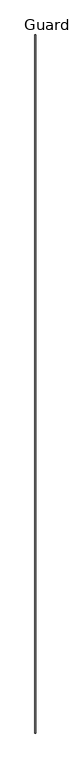
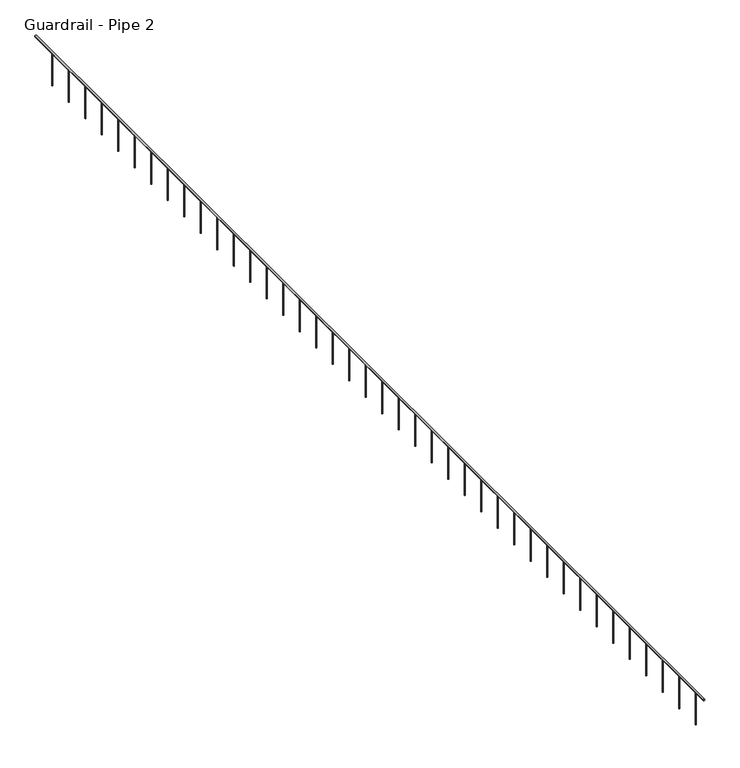
"""IFC4 building model written with IfcOpenShell, lengths in millimetres: railing geometry, Guardrail - Pipe 2."""

import ifcopenshell
import ifcopenshell.guid

model = None  # the IFC model being written
_history = None  # IfcOwnerHistory: only IFC2X3 demands one
_inside = {}  # id of a spatial element -> (the spatial element, [elements in it])
_under = {}  # id of a project, library or spatial element -> (it, [spatial elements below it])
_declared = {}  # id of a project -> (the project, [libraries it declares])
_typed = {}  # id of a type object -> (the type object, [elements of that type])
_made_of = {}  # id of a material, layer set ... -> (it, [elements and type objects made of it])


def new_model(schema):
    """Start an empty IFC model of exactly this schema.

    Asked for "IFC4X3", IfcOpenShell would pick the latest addendum, in which some entities
    have other attributes; the version numbers below select the first issue.
    IFC2X3 requires an IfcOwnerHistory on every rooted entity: one is made here for all.
    """
    global model, _history
    if schema == "IFC4X3":
        model = ifcopenshell.file(schema_version=(4, 3, 0, 0))
    else:
        model = ifcopenshell.file(schema=schema)
    _inside.clear()
    _under.clear()
    _declared.clear()
    _typed.clear()
    _made_of.clear()
    _history = None
    if model.schema == "IFC2X3":
        org = make("IfcOrganization", Name="unknown")
        user = make(
            "IfcPersonAndOrganization",
            ThePerson=make("IfcPerson", FamilyName="unknown"),
            TheOrganization=org,
        )
        app = make(
            "IfcApplication",
            ApplicationDeveloper=org,
            Version="unknown",
            ApplicationFullName="unknown",
            ApplicationIdentifier="unknown",
        )
        _history = make(
            "IfcOwnerHistory",
            OwningUser=user,
            OwningApplication=app,
            ChangeAction="ADDED",
            CreationDate=0,
        )
    return model


def make(cls, **values):
    """One entity of the class cls with the attributes given. An attribute that is None is left unset."""
    return model.create_entity(
        cls, **{name: value for name, value in values.items() if value is not None}
    )


def rooted(cls, **values):
    """An entity with a GlobalId (a new one), such as an element, a storey or a relation."""
    return make(cls, GlobalId=ifcopenshell.guid.new(), OwnerHistory=_history, **values)


def si_unit(unit_type, name, prefix=None):
    """IfcSIUnit, for example si_unit("LENGTHUNIT", "METRE", prefix="MILLI")."""
    return make("IfcSIUnit", UnitType=unit_type, Prefix=prefix, Name=name)


def assignment(units):
    """IfcUnitAssignment: the units of a project."""
    return None if units is None else make("IfcUnitAssignment", Units=units)


def point(xyz):
    """IfcCartesianPoint."""
    return None if xyz is None else make("IfcCartesianPoint", Coordinates=xyz)


def direction(xyz):
    """IfcDirection."""
    return None if xyz is None else make("IfcDirection", DirectionRatios=xyz)


def frame(location, z_axis=None, x_axis=None):
    """IfcAxis2Placement3D, a coordinate frame: its origin and axes. An axis left out is left unset."""
    return make(
        "IfcAxis2Placement3D",
        Location=point(location),
        Axis=direction(z_axis),
        RefDirection=direction(x_axis),
    )


def frame_2d(location, x_axis=None):
    """IfcAxis2Placement2D, a coordinate frame in the plane: its origin and x axis."""
    return make(
        "IfcAxis2Placement2D", Location=point(location), RefDirection=direction(x_axis)
    )


def origin():
    """The frame at (0, 0, 0) with its axes left unset."""
    return frame((0.0, 0.0, 0.0))


def place(relative_to, where):
    """IfcLocalPlacement: puts the frame where relative to a parent placement (None: the world)."""
    return make(
        "IfcLocalPlacement", PlacementRelTo=relative_to, RelativePlacement=where
    )


def context(
    kind, dimensions, precision=None, world=None, true_north=None, identifier=None
):
    """IfcGeometricRepresentationContext, for example the 3D "Model" context."""
    return make(
        "IfcGeometricRepresentationContext",
        ContextIdentifier=identifier,
        ContextType=kind,
        CoordinateSpaceDimension=dimensions,
        Precision=precision,
        WorldCoordinateSystem=world,
        TrueNorth=true_north,
    )


def project(units=None, contexts=None):
    """IfcProject with its units and contexts."""
    return rooted(
        "IfcProject",
        Name="project",
        RepresentationContexts=contexts,
        UnitsInContext=assignment(units),
    )


def spatial(cls, under=None, at=None, **own):
    """A site, building, storey or space (cls), placed at a placement, below another one or the project."""
    s = rooted(cls, ObjectPlacement=at, **own)
    if under is not None:
        _under.setdefault(under.id(), (under, []))[1].append(s)
    return s


def circle_curve(where, radius):
    """IfcCircle in the frame where."""
    return make("IfcCircle", Position=where, Radius=radius)


def trimmed(basis, trim1, trim2, sense, master):
    """IfcTrimmedCurve: the piece of a basis curve between two trims."""
    return make(
        "IfcTrimmedCurve",
        BasisCurve=basis,
        Trim1=trim1,
        Trim2=trim2,
        SenseAgreement=sense,
        MasterRepresentation=master,
    )


def segment(curve, same_sense, transition):
    """IfcCompositeCurveSegment."""
    return make(
        "IfcCompositeCurveSegment",
        Transition=transition,
        SameSense=same_sense,
        ParentCurve=curve,
    )


def composite_curve(segments, self_intersect=None):
    """IfcCompositeCurve: segments joined end to end."""
    return make("IfcCompositeCurve", Segments=segments, SelfIntersect=self_intersect)


def outline(outer, holes=None, kind="AREA"):
    """IfcArbitraryClosedProfileDef: a profile drawn as a closed curve; with holes, ...WithVoids."""
    if holes is None:
        return make("IfcArbitraryClosedProfileDef", ProfileType=kind, OuterCurve=outer)
    return make(
        "IfcArbitraryProfileDefWithVoids",
        ProfileType=kind,
        OuterCurve=outer,
        InnerCurves=holes,
    )


def extrude(swept, where, along, depth):
    """IfcExtrudedAreaSolid: the profile swept, set in the frame where, extruded along a direction by depth."""
    return make(
        "IfcExtrudedAreaSolid",
        SweptArea=swept,
        Position=where,
        ExtrudedDirection=direction(along),
        Depth=depth,
    )


def shape(context_of_items, identifier, shape_type, items):
    """IfcShapeRepresentation: the items that make up one representation, for example the "Body"."""
    return make(
        "IfcShapeRepresentation",
        ContextOfItems=context_of_items,
        RepresentationIdentifier=identifier,
        RepresentationType=shape_type,
        Items=items,
    )


def source(mapping_origin, context_of_items, identifier, shape_type, items):
    """IfcRepresentationMap: a shape defined once, which mapped items show again and again."""
    return make(
        "IfcRepresentationMap",
        MappingOrigin=mapping_origin,
        MappedRepresentation=shape(context_of_items, identifier, shape_type, items),
    )


def transform(
    local_origin,
    x_axis=None,
    y_axis=None,
    z_axis=None,
    scale=None,
    scale2=None,
    scale3=None,
    uniform=True,
):
    """IfcCartesianTransformationOperator3D, or its non-uniform kind. x_axis, y_axis, z_axis: its Axis1, 2, 3."""
    if uniform:
        return make(
            "IfcCartesianTransformationOperator3D",
            Axis1=direction(x_axis),
            Axis2=direction(y_axis),
            LocalOrigin=point(local_origin),
            Scale=scale,
            Axis3=direction(z_axis),
        )
    return make(
        "IfcCartesianTransformationOperator3DnonUniform",
        Axis1=direction(x_axis),
        Axis2=direction(y_axis),
        LocalOrigin=point(local_origin),
        Scale=scale,
        Axis3=direction(z_axis),
        Scale2=scale2,
        Scale3=scale3,
    )


def mapped(mapping_source, mapping_target):
    """IfcMappedItem: shows the shape of a source again, moved by a transform."""
    return make(
        "IfcMappedItem", MappingSource=mapping_source, MappingTarget=mapping_target
    )


def made_of(thing, what):
    """Note that an element or type object is made of a material, layer set ...; save() writes the relation."""
    if what is not None:
        _made_of.setdefault(what.id(), (what, []))[1].append(thing)
    return thing


def element(
    cls,
    number,
    at=None,
    inside=None,
    cuts=None,
    type_object=None,
    material=None,
    context=None,
    identifier="Body",
    shape_type=None,
    held_by="IfcProductDefinitionShape",
    body=None,
    shapes=None,
    **own,
):
    """One element of the class cls, such as IfcWall. Its Tag is "e" and its number.

    at: its placement. inside: the storey or other place that contains it. cuts: it is an
    opening in that element (IfcRelVoidsElement). A single representation is given by context,
    identifier, shape_type and body (its items); several are given by shapes. held_by: the class
    of the entity that holds the representations. save() writes the other relations.
    """
    e = rooted(cls, Tag="e%d" % number, ObjectPlacement=at, **own)
    if body is not None:
        shapes = [shape(context, identifier, shape_type, body)]
    if shapes is not None:
        e.Representation = make(held_by, Representations=shapes)
    if inside is not None:
        _inside.setdefault(inside.id(), (inside, []))[1].append(e)
    if cuts is not None:
        rooted(
            "IfcRelVoidsElement", RelatingBuildingElement=cuts, RelatedOpeningElement=e
        )
    if type_object is not None:
        _typed.setdefault(type_object.id(), (type_object, []))[1].append(e)
    return made_of(e, material)


def aggregate(whole, parts):
    """IfcRelAggregates: a whole, such as a stair, and the parts it consists of."""
    return rooted("IfcRelAggregates", RelatingObject=whole, RelatedObjects=parts)


def save(model, path):
    """Write the relations noted so far, then the file.

    IfcRelAggregates (storeys below a building ...), IfcRelContainedInSpatialStructure (elements
    in a storey), IfcRelDefinesByType, IfcRelAssociatesMaterial and IfcRelDeclares: one each for
    every whole, place, type object, material and project.
    """
    for whole, parts in _under.values():
        aggregate(whole, parts)
    for where, things in _inside.values():
        rooted(
            "IfcRelContainedInSpatialStructure",
            RelatedElements=things,
            RelatingStructure=where,
        )
    for kind, things in _typed.values():
        rooted("IfcRelDefinesByType", RelatedObjects=things, RelatingType=kind)
    for what, things in _made_of.values():
        rooted("IfcRelAssociatesMaterial", RelatedObjects=things, RelatingMaterial=what)
    for by, libraries in _declared.values():
        rooted("IfcRelDeclares", RelatingContext=by, RelatedDefinitions=libraries)
    model.write(path)


def guardrail_pipe_2_330cb6f6(model_context):
    return source(origin(), model_context, "Body", "SweptSolid", [
        extrude(outline(composite_curve([segment(trimmed(circle_curve(frame_2d((5518.15, 258236.8254676)), 19.05), [point((5518.15, 258255.8754676))], [point((5518.15, 258217.7754676))], False, "CARTESIAN"), True, "CONTINUOUS"), segment(trimmed(circle_curve(frame_2d((5518.15, 258236.8254676)), 19.05), [point((5518.15, 258217.7754676))], [point((5518.15, 258255.8754676))], False, "CARTESIAN"), True, "CONTINUOUS")], self_intersect=False)), frame((0.0, -389814.6080223, 0.0), z_axis=(0.0, 1.0, 0.0), x_axis=(0.0, 0.0, 1.0)), (0.0, 0.0, 1.0), 24688.8),
        extrude(outline(composite_curve([segment(trimmed(circle_curve(frame_2d((258236.8254676, -389509.8080223)), 12.7), [point((258249.5254676, -389509.8080223))], [point((258224.1254676, -389509.8080223))], False, "CARTESIAN"), True, "CONTINUOUS"), segment(trimmed(circle_curve(frame_2d((258236.8254676, -389509.8080223)), 12.7), [point((258224.1254676, -389509.8080223))], [point((258249.5254676, -389509.8080223))], False, "CARTESIAN"), True, "CONTINUOUS")], self_intersect=False)), frame((0.0, 0.0, 4775.2), z_axis=(0.0, 0.0, 1.0), x_axis=(1.0, 0.0, 0.0)), (0.0, 0.0, 1.0), 723.9),
        extrude(outline(composite_curve([segment(trimmed(circle_curve(frame_2d((258236.8254676, -388900.2080223)), 12.7), [point((258249.5254676, -388900.2080223))], [point((258224.1254676, -388900.2080223))], False, "CARTESIAN"), True, "CONTINUOUS"), segment(trimmed(circle_curve(frame_2d((258236.8254676, -388900.2080223)), 12.7), [point((258224.1254676, -388900.2080223))], [point((258249.5254676, -388900.2080223))], False, "CARTESIAN"), True, "CONTINUOUS")], self_intersect=False)), frame((0.0, 0.0, 4775.2), z_axis=(0.0, 0.0, 1.0), x_axis=(1.0, 0.0, 0.0)), (0.0, 0.0, 1.0), 723.9),
        extrude(outline(composite_curve([segment(trimmed(circle_curve(frame_2d((258236.8254676, -388290.6080223)), 12.7), [point((258249.5254676, -388290.6080223))], [point((258224.1254676, -388290.6080223))], False, "CARTESIAN"), True, "CONTINUOUS"), segment(trimmed(circle_curve(frame_2d((258236.8254676, -388290.6080223)), 12.7), [point((258224.1254676, -388290.6080223))], [point((258249.5254676, -388290.6080223))], False, "CARTESIAN"), True, "CONTINUOUS")], self_intersect=False)), frame((0.0, 0.0, 4775.2), z_axis=(0.0, 0.0, 1.0), x_axis=(1.0, 0.0, 0.0)), (0.0, 0.0, 1.0), 723.9),
        extrude(outline(composite_curve([segment(trimmed(circle_curve(frame_2d((258236.8254676, -387681.0080223)), 12.7), [point((258249.5254676, -387681.0080223))], [point((258224.1254676, -387681.0080223))], False, "CARTESIAN"), True, "CONTINUOUS"), segment(trimmed(circle_curve(frame_2d((258236.8254676, -387681.0080223)), 12.7), [point((258224.1254676, -387681.0080223))], [point((258249.5254676, -387681.0080223))], False, "CARTESIAN"), True, "CONTINUOUS")], self_intersect=False)), frame((0.0, 0.0, 4775.2), z_axis=(0.0, 0.0, 1.0), x_axis=(1.0, 0.0, 0.0)), (0.0, 0.0, 1.0), 723.9),
        extrude(outline(composite_curve([segment(trimmed(circle_curve(frame_2d((258236.8254676, -387071.4080223)), 12.7), [point((258249.5254676, -387071.4080223))], [point((258224.1254676, -387071.4080223))], False, "CARTESIAN"), True, "CONTINUOUS"), segment(trimmed(circle_curve(frame_2d((258236.8254676, -387071.4080223)), 12.7), [point((258224.1254676, -387071.4080223))], [point((258249.5254676, -387071.4080223))], False, "CARTESIAN"), True, "CONTINUOUS")], self_intersect=False)), frame((0.0, 0.0, 4775.2), z_axis=(0.0, 0.0, 1.0), x_axis=(1.0, 0.0, 0.0)), (0.0, 0.0, 1.0), 723.9),
        extrude(outline(composite_curve([segment(trimmed(circle_curve(frame_2d((258236.8254676, -386461.8080223)), 12.7), [point((258249.5254676, -386461.8080223))], [point((258224.1254676, -386461.8080223))], False, "CARTESIAN"), True, "CONTINUOUS"), segment(trimmed(circle_curve(frame_2d((258236.8254676, -386461.8080223)), 12.7), [point((258224.1254676, -386461.8080223))], [point((258249.5254676, -386461.8080223))], False, "CARTESIAN"), True, "CONTINUOUS")], self_intersect=False)), frame((0.0, 0.0, 4775.2), z_axis=(0.0, 0.0, 1.0), x_axis=(1.0, 0.0, 0.0)), (0.0, 0.0, 1.0), 723.9),
        extrude(outline(composite_curve([segment(trimmed(circle_curve(frame_2d((258236.8254676, -385852.2080223)), 12.7), [point((258249.5254676, -385852.2080223))], [point((258224.1254676, -385852.2080223))], False, "CARTESIAN"), True, "CONTINUOUS"), segment(trimmed(circle_curve(frame_2d((258236.8254676, -385852.2080223)), 12.7), [point((258224.1254676, -385852.2080223))], [point((258249.5254676, -385852.2080223))], False, "CARTESIAN"), True, "CONTINUOUS")], self_intersect=False)), frame((0.0, 0.0, 4775.2), z_axis=(0.0, 0.0, 1.0), x_axis=(1.0, 0.0, 0.0)), (0.0, 0.0, 1.0), 723.9),
        extrude(outline(composite_curve([segment(trimmed(circle_curve(frame_2d((258236.8254676, -385242.6080223)), 12.7), [point((258249.5254676, -385242.6080223))], [point((258224.1254676, -385242.6080223))], False, "CARTESIAN"), True, "CONTINUOUS"), segment(trimmed(circle_curve(frame_2d((258236.8254676, -385242.6080223)), 12.7), [point((258224.1254676, -385242.6080223))], [point((258249.5254676, -385242.6080223))], False, "CARTESIAN"), True, "CONTINUOUS")], self_intersect=False)), frame((0.0, 0.0, 4775.2), z_axis=(0.0, 0.0, 1.0), x_axis=(1.0, 0.0, 0.0)), (0.0, 0.0, 1.0), 723.9),
        extrude(outline(composite_curve([segment(trimmed(circle_curve(frame_2d((258236.8254676, -384633.0080223)), 12.7), [point((258249.5254676, -384633.0080223))], [point((258224.1254676, -384633.0080223))], False, "CARTESIAN"), True, "CONTINUOUS"), segment(trimmed(circle_curve(frame_2d((258236.8254676, -384633.0080223)), 12.7), [point((258224.1254676, -384633.0080223))], [point((258249.5254676, -384633.0080223))], False, "CARTESIAN"), True, "CONTINUOUS")], self_intersect=False)), frame((0.0, 0.0, 4775.2), z_axis=(0.0, 0.0, 1.0), x_axis=(1.0, 0.0, 0.0)), (0.0, 0.0, 1.0), 723.9),
        extrude(outline(composite_curve([segment(trimmed(circle_curve(frame_2d((258236.8254676, -384023.4080223)), 12.7), [point((258249.5254676, -384023.4080223))], [point((258224.1254676, -384023.4080223))], False, "CARTESIAN"), True, "CONTINUOUS"), segment(trimmed(circle_curve(frame_2d((258236.8254676, -384023.4080223)), 12.7), [point((258224.1254676, -384023.4080223))], [point((258249.5254676, -384023.4080223))], False, "CARTESIAN"), True, "CONTINUOUS")], self_intersect=False)), frame((0.0, 0.0, 4775.2), z_axis=(0.0, 0.0, 1.0), x_axis=(1.0, 0.0, 0.0)), (0.0, 0.0, 1.0), 723.9),
        extrude(outline(composite_curve([segment(trimmed(circle_curve(frame_2d((258236.8254676, -383413.8080223)), 12.7), [point((258249.5254676, -383413.8080223))], [point((258224.1254676, -383413.8080223))], False, "CARTESIAN"), True, "CONTINUOUS"), segment(trimmed(circle_curve(frame_2d((258236.8254676, -383413.8080223)), 12.7), [point((258224.1254676, -383413.8080223))], [point((258249.5254676, -383413.8080223))], False, "CARTESIAN"), True, "CONTINUOUS")], self_intersect=False)), frame((0.0, 0.0, 4775.2), z_axis=(0.0, 0.0, 1.0), x_axis=(1.0, 0.0, 0.0)), (0.0, 0.0, 1.0), 723.9),
        extrude(outline(composite_curve([segment(trimmed(circle_curve(frame_2d((258236.8254676, -382804.2080223)), 12.7), [point((258249.5254676, -382804.2080223))], [point((258224.1254676, -382804.2080223))], False, "CARTESIAN"), True, "CONTINUOUS"), segment(trimmed(circle_curve(frame_2d((258236.8254676, -382804.2080223)), 12.7), [point((258224.1254676, -382804.2080223))], [point((258249.5254676, -382804.2080223))], False, "CARTESIAN"), True, "CONTINUOUS")], self_intersect=False)), frame((0.0, 0.0, 4775.2), z_axis=(0.0, 0.0, 1.0), x_axis=(1.0, 0.0, 0.0)), (0.0, 0.0, 1.0), 723.9),
        extrude(outline(composite_curve([segment(trimmed(circle_curve(frame_2d((258236.8254676, -382194.6080223)), 12.7), [point((258249.5254676, -382194.6080223))], [point((258224.1254676, -382194.6080223))], False, "CARTESIAN"), True, "CONTINUOUS"), segment(trimmed(circle_curve(frame_2d((258236.8254676, -382194.6080223)), 12.7), [point((258224.1254676, -382194.6080223))], [point((258249.5254676, -382194.6080223))], False, "CARTESIAN"), True, "CONTINUOUS")], self_intersect=False)), frame((0.0, 0.0, 4775.2), z_axis=(0.0, 0.0, 1.0), x_axis=(1.0, 0.0, 0.0)), (0.0, 0.0, 1.0), 723.9),
        extrude(outline(composite_curve([segment(trimmed(circle_curve(frame_2d((258236.8254676, -381585.0080223)), 12.7), [point((258249.5254676, -381585.0080223))], [point((258224.1254676, -381585.0080223))], False, "CARTESIAN"), True, "CONTINUOUS"), segment(trimmed(circle_curve(frame_2d((258236.8254676, -381585.0080223)), 12.7), [point((258224.1254676, -381585.0080223))], [point((258249.5254676, -381585.0080223))], False, "CARTESIAN"), True, "CONTINUOUS")], self_intersect=False)), frame((0.0, 0.0, 4775.2), z_axis=(0.0, 0.0, 1.0), x_axis=(1.0, 0.0, 0.0)), (0.0, 0.0, 1.0), 723.9),
        extrude(outline(composite_curve([segment(trimmed(circle_curve(frame_2d((258236.8254676, -380975.4080223)), 12.7), [point((258249.5254676, -380975.4080223))], [point((258224.1254676, -380975.4080223))], False, "CARTESIAN"), True, "CONTINUOUS"), segment(trimmed(circle_curve(frame_2d((258236.8254676, -380975.4080223)), 12.7), [point((258224.1254676, -380975.4080223))], [point((258249.5254676, -380975.4080223))], False, "CARTESIAN"), True, "CONTINUOUS")], self_intersect=False)), frame((0.0, 0.0, 4775.2), z_axis=(0.0, 0.0, 1.0), x_axis=(1.0, 0.0, 0.0)), (0.0, 0.0, 1.0), 723.9),
        extrude(outline(composite_curve([segment(trimmed(circle_curve(frame_2d((258236.8254676, -380365.8080223)), 12.7), [point((258249.5254676, -380365.8080223))], [point((258224.1254676, -380365.8080223))], False, "CARTESIAN"), True, "CONTINUOUS"), segment(trimmed(circle_curve(frame_2d((258236.8254676, -380365.8080223)), 12.7), [point((258224.1254676, -380365.8080223))], [point((258249.5254676, -380365.8080223))], False, "CARTESIAN"), True, "CONTINUOUS")], self_intersect=False)), frame((0.0, 0.0, 4775.2), z_axis=(0.0, 0.0, 1.0), x_axis=(1.0, 0.0, 0.0)), (0.0, 0.0, 1.0), 723.9),
        extrude(outline(composite_curve([segment(trimmed(circle_curve(frame_2d((258236.8254676, -379756.2080223)), 12.7), [point((258249.5254676, -379756.2080223))], [point((258224.1254676, -379756.2080223))], False, "CARTESIAN"), True, "CONTINUOUS"), segment(trimmed(circle_curve(frame_2d((258236.8254676, -379756.2080223)), 12.7), [point((258224.1254676, -379756.2080223))], [point((258249.5254676, -379756.2080223))], False, "CARTESIAN"), True, "CONTINUOUS")], self_intersect=False)), frame((0.0, 0.0, 4775.2), z_axis=(0.0, 0.0, 1.0), x_axis=(1.0, 0.0, 0.0)), (0.0, 0.0, 1.0), 723.9),
        extrude(outline(composite_curve([segment(trimmed(circle_curve(frame_2d((258236.8254676, -379146.6080223)), 12.7), [point((258249.5254676, -379146.6080223))], [point((258224.1254676, -379146.6080223))], False, "CARTESIAN"), True, "CONTINUOUS"), segment(trimmed(circle_curve(frame_2d((258236.8254676, -379146.6080223)), 12.7), [point((258224.1254676, -379146.6080223))], [point((258249.5254676, -379146.6080223))], False, "CARTESIAN"), True, "CONTINUOUS")], self_intersect=False)), frame((0.0, 0.0, 4775.2), z_axis=(0.0, 0.0, 1.0), x_axis=(1.0, 0.0, 0.0)), (0.0, 0.0, 1.0), 723.9),
        extrude(outline(composite_curve([segment(trimmed(circle_curve(frame_2d((258236.8254676, -378537.0080223)), 12.7), [point((258249.5254676, -378537.0080223))], [point((258224.1254676, -378537.0080223))], False, "CARTESIAN"), True, "CONTINUOUS"), segment(trimmed(circle_curve(frame_2d((258236.8254676, -378537.0080223)), 12.7), [point((258224.1254676, -378537.0080223))], [point((258249.5254676, -378537.0080223))], False, "CARTESIAN"), True, "CONTINUOUS")], self_intersect=False)), frame((0.0, 0.0, 4775.2), z_axis=(0.0, 0.0, 1.0), x_axis=(1.0, 0.0, 0.0)), (0.0, 0.0, 1.0), 723.9),
        extrude(outline(composite_curve([segment(trimmed(circle_curve(frame_2d((258236.8254676, -377927.4080223)), 12.7), [point((258249.5254676, -377927.4080223))], [point((258224.1254676, -377927.4080223))], False, "CARTESIAN"), True, "CONTINUOUS"), segment(trimmed(circle_curve(frame_2d((258236.8254676, -377927.4080223)), 12.7), [point((258224.1254676, -377927.4080223))], [point((258249.5254676, -377927.4080223))], False, "CARTESIAN"), True, "CONTINUOUS")], self_intersect=False)), frame((0.0, 0.0, 4775.2), z_axis=(0.0, 0.0, 1.0), x_axis=(1.0, 0.0, 0.0)), (0.0, 0.0, 1.0), 723.9),
        extrude(outline(composite_curve([segment(trimmed(circle_curve(frame_2d((258236.8254676, -377317.8080223)), 12.7), [point((258249.5254676, -377317.8080223))], [point((258224.1254676, -377317.8080223))], False, "CARTESIAN"), True, "CONTINUOUS"), segment(trimmed(circle_curve(frame_2d((258236.8254676, -377317.8080223)), 12.7), [point((258224.1254676, -377317.8080223))], [point((258249.5254676, -377317.8080223))], False, "CARTESIAN"), True, "CONTINUOUS")], self_intersect=False)), frame((0.0, 0.0, 4775.2), z_axis=(0.0, 0.0, 1.0), x_axis=(1.0, 0.0, 0.0)), (0.0, 0.0, 1.0), 723.9),
        extrude(outline(composite_curve([segment(trimmed(circle_curve(frame_2d((258236.8254676, -376708.2080223)), 12.7), [point((258249.5254676, -376708.2080223))], [point((258224.1254676, -376708.2080223))], False, "CARTESIAN"), True, "CONTINUOUS"), segment(trimmed(circle_curve(frame_2d((258236.8254676, -376708.2080223)), 12.7), [point((258224.1254676, -376708.2080223))], [point((258249.5254676, -376708.2080223))], False, "CARTESIAN"), True, "CONTINUOUS")], self_intersect=False)), frame((0.0, 0.0, 4775.2), z_axis=(0.0, 0.0, 1.0), x_axis=(1.0, 0.0, 0.0)), (0.0, 0.0, 1.0), 723.9),
        extrude(outline(composite_curve([segment(trimmed(circle_curve(frame_2d((258236.8254676, -376098.6080223)), 12.7), [point((258249.5254676, -376098.6080223))], [point((258224.1254676, -376098.6080223))], False, "CARTESIAN"), True, "CONTINUOUS"), segment(trimmed(circle_curve(frame_2d((258236.8254676, -376098.6080223)), 12.7), [point((258224.1254676, -376098.6080223))], [point((258249.5254676, -376098.6080223))], False, "CARTESIAN"), True, "CONTINUOUS")], self_intersect=False)), frame((0.0, 0.0, 4775.2), z_axis=(0.0, 0.0, 1.0), x_axis=(1.0, 0.0, 0.0)), (0.0, 0.0, 1.0), 723.9),
        extrude(outline(composite_curve([segment(trimmed(circle_curve(frame_2d((258236.8254676, -375489.0080223)), 12.7), [point((258249.5254676, -375489.0080223))], [point((258224.1254676, -375489.0080223))], False, "CARTESIAN"), True, "CONTINUOUS"), segment(trimmed(circle_curve(frame_2d((258236.8254676, -375489.0080223)), 12.7), [point((258224.1254676, -375489.0080223))], [point((258249.5254676, -375489.0080223))], False, "CARTESIAN"), True, "CONTINUOUS")], self_intersect=False)), frame((0.0, 0.0, 4775.2), z_axis=(0.0, 0.0, 1.0), x_axis=(1.0, 0.0, 0.0)), (0.0, 0.0, 1.0), 723.9),
        extrude(outline(composite_curve([segment(trimmed(circle_curve(frame_2d((258236.8254676, -374879.4080223)), 12.7), [point((258249.5254676, -374879.4080223))], [point((258224.1254676, -374879.4080223))], False, "CARTESIAN"), True, "CONTINUOUS"), segment(trimmed(circle_curve(frame_2d((258236.8254676, -374879.4080223)), 12.7), [point((258224.1254676, -374879.4080223))], [point((258249.5254676, -374879.4080223))], False, "CARTESIAN"), True, "CONTINUOUS")], self_intersect=False)), frame((0.0, 0.0, 4775.2), z_axis=(0.0, 0.0, 1.0), x_axis=(1.0, 0.0, 0.0)), (0.0, 0.0, 1.0), 723.9),
        extrude(outline(composite_curve([segment(trimmed(circle_curve(frame_2d((258236.8254676, -374269.8080223)), 12.7), [point((258249.5254676, -374269.8080223))], [point((258224.1254676, -374269.8080223))], False, "CARTESIAN"), True, "CONTINUOUS"), segment(trimmed(circle_curve(frame_2d((258236.8254676, -374269.8080223)), 12.7), [point((258224.1254676, -374269.8080223))], [point((258249.5254676, -374269.8080223))], False, "CARTESIAN"), True, "CONTINUOUS")], self_intersect=False)), frame((0.0, 0.0, 4775.2), z_axis=(0.0, 0.0, 1.0), x_axis=(1.0, 0.0, 0.0)), (0.0, 0.0, 1.0), 723.9),
        extrude(outline(composite_curve([segment(trimmed(circle_curve(frame_2d((258236.8254676, -373660.2080223)), 12.7), [point((258249.5254676, -373660.2080223))], [point((258224.1254676, -373660.2080223))], False, "CARTESIAN"), True, "CONTINUOUS"), segment(trimmed(circle_curve(frame_2d((258236.8254676, -373660.2080223)), 12.7), [point((258224.1254676, -373660.2080223))], [point((258249.5254676, -373660.2080223))], False, "CARTESIAN"), True, "CONTINUOUS")], self_intersect=False)), frame((0.0, 0.0, 4775.2), z_axis=(0.0, 0.0, 1.0), x_axis=(1.0, 0.0, 0.0)), (0.0, 0.0, 1.0), 723.9),
        extrude(outline(composite_curve([segment(trimmed(circle_curve(frame_2d((258236.8254676, -373050.6080223)), 12.7), [point((258249.5254676, -373050.6080223))], [point((258224.1254676, -373050.6080223))], False, "CARTESIAN"), True, "CONTINUOUS"), segment(trimmed(circle_curve(frame_2d((258236.8254676, -373050.6080223)), 12.7), [point((258224.1254676, -373050.6080223))], [point((258249.5254676, -373050.6080223))], False, "CARTESIAN"), True, "CONTINUOUS")], self_intersect=False)), frame((0.0, 0.0, 4775.2), z_axis=(0.0, 0.0, 1.0), x_axis=(1.0, 0.0, 0.0)), (0.0, 0.0, 1.0), 723.9),
        extrude(outline(composite_curve([segment(trimmed(circle_curve(frame_2d((258236.8254676, -372441.0080223)), 12.7), [point((258249.5254676, -372441.0080223))], [point((258224.1254676, -372441.0080223))], False, "CARTESIAN"), True, "CONTINUOUS"), segment(trimmed(circle_curve(frame_2d((258236.8254676, -372441.0080223)), 12.7), [point((258224.1254676, -372441.0080223))], [point((258249.5254676, -372441.0080223))], False, "CARTESIAN"), True, "CONTINUOUS")], self_intersect=False)), frame((0.0, 0.0, 4775.2), z_axis=(0.0, 0.0, 1.0), x_axis=(1.0, 0.0, 0.0)), (0.0, 0.0, 1.0), 723.9),
        extrude(outline(composite_curve([segment(trimmed(circle_curve(frame_2d((258236.8254676, -371831.4080223)), 12.7), [point((258249.5254676, -371831.4080223))], [point((258224.1254676, -371831.4080223))], False, "CARTESIAN"), True, "CONTINUOUS"), segment(trimmed(circle_curve(frame_2d((258236.8254676, -371831.4080223)), 12.7), [point((258224.1254676, -371831.4080223))], [point((258249.5254676, -371831.4080223))], False, "CARTESIAN"), True, "CONTINUOUS")], self_intersect=False)), frame((0.0, 0.0, 4775.2), z_axis=(0.0, 0.0, 1.0), x_axis=(1.0, 0.0, 0.0)), (0.0, 0.0, 1.0), 723.9),
        extrude(outline(composite_curve([segment(trimmed(circle_curve(frame_2d((258236.8254676, -371221.8080223)), 12.7), [point((258249.5254676, -371221.8080223))], [point((258224.1254676, -371221.8080223))], False, "CARTESIAN"), True, "CONTINUOUS"), segment(trimmed(circle_curve(frame_2d((258236.8254676, -371221.8080223)), 12.7), [point((258224.1254676, -371221.8080223))], [point((258249.5254676, -371221.8080223))], False, "CARTESIAN"), True, "CONTINUOUS")], self_intersect=False)), frame((0.0, 0.0, 4775.2), z_axis=(0.0, 0.0, 1.0), x_axis=(1.0, 0.0, 0.0)), (0.0, 0.0, 1.0), 723.9),
        extrude(outline(composite_curve([segment(trimmed(circle_curve(frame_2d((258236.8254676, -370612.2080223)), 12.7), [point((258249.5254676, -370612.2080223))], [point((258224.1254676, -370612.2080223))], False, "CARTESIAN"), True, "CONTINUOUS"), segment(trimmed(circle_curve(frame_2d((258236.8254676, -370612.2080223)), 12.7), [point((258224.1254676, -370612.2080223))], [point((258249.5254676, -370612.2080223))], False, "CARTESIAN"), True, "CONTINUOUS")], self_intersect=False)), frame((0.0, 0.0, 4775.2), z_axis=(0.0, 0.0, 1.0), x_axis=(1.0, 0.0, 0.0)), (0.0, 0.0, 1.0), 723.9),
        extrude(outline(composite_curve([segment(trimmed(circle_curve(frame_2d((258236.8254676, -370002.6080223)), 12.7), [point((258249.5254676, -370002.6080223))], [point((258224.1254676, -370002.6080223))], False, "CARTESIAN"), True, "CONTINUOUS"), segment(trimmed(circle_curve(frame_2d((258236.8254676, -370002.6080223)), 12.7), [point((258224.1254676, -370002.6080223))], [point((258249.5254676, -370002.6080223))], False, "CARTESIAN"), True, "CONTINUOUS")], self_intersect=False)), frame((0.0, 0.0, 4775.2), z_axis=(0.0, 0.0, 1.0), x_axis=(1.0, 0.0, 0.0)), (0.0, 0.0, 1.0), 723.9),
        extrude(outline(composite_curve([segment(trimmed(circle_curve(frame_2d((258236.8254676, -369393.0080223)), 12.7), [point((258249.5254676, -369393.0080223))], [point((258224.1254676, -369393.0080223))], False, "CARTESIAN"), True, "CONTINUOUS"), segment(trimmed(circle_curve(frame_2d((258236.8254676, -369393.0080223)), 12.7), [point((258224.1254676, -369393.0080223))], [point((258249.5254676, -369393.0080223))], False, "CARTESIAN"), True, "CONTINUOUS")], self_intersect=False)), frame((0.0, 0.0, 4775.2), z_axis=(0.0, 0.0, 1.0), x_axis=(1.0, 0.0, 0.0)), (0.0, 0.0, 1.0), 723.9),
        extrude(outline(composite_curve([segment(trimmed(circle_curve(frame_2d((258236.8254676, -368783.4080223)), 12.7), [point((258249.5254676, -368783.4080223))], [point((258224.1254676, -368783.4080223))], False, "CARTESIAN"), True, "CONTINUOUS"), segment(trimmed(circle_curve(frame_2d((258236.8254676, -368783.4080223)), 12.7), [point((258224.1254676, -368783.4080223))], [point((258249.5254676, -368783.4080223))], False, "CARTESIAN"), True, "CONTINUOUS")], self_intersect=False)), frame((0.0, 0.0, 4775.2), z_axis=(0.0, 0.0, 1.0), x_axis=(1.0, 0.0, 0.0)), (0.0, 0.0, 1.0), 723.9),
        extrude(outline(composite_curve([segment(trimmed(circle_curve(frame_2d((258236.8254676, -368173.8080223)), 12.7), [point((258249.5254676, -368173.8080223))], [point((258224.1254676, -368173.8080223))], False, "CARTESIAN"), True, "CONTINUOUS"), segment(trimmed(circle_curve(frame_2d((258236.8254676, -368173.8080223)), 12.7), [point((258224.1254676, -368173.8080223))], [point((258249.5254676, -368173.8080223))], False, "CARTESIAN"), True, "CONTINUOUS")], self_intersect=False)), frame((0.0, 0.0, 4775.2), z_axis=(0.0, 0.0, 1.0), x_axis=(1.0, 0.0, 0.0)), (0.0, 0.0, 1.0), 723.9),
        extrude(outline(composite_curve([segment(trimmed(circle_curve(frame_2d((258236.8254676, -367564.2080223)), 12.7), [point((258249.5254676, -367564.2080223))], [point((258224.1254676, -367564.2080223))], False, "CARTESIAN"), True, "CONTINUOUS"), segment(trimmed(circle_curve(frame_2d((258236.8254676, -367564.2080223)), 12.7), [point((258224.1254676, -367564.2080223))], [point((258249.5254676, -367564.2080223))], False, "CARTESIAN"), True, "CONTINUOUS")], self_intersect=False)), frame((0.0, 0.0, 4775.2), z_axis=(0.0, 0.0, 1.0), x_axis=(1.0, 0.0, 0.0)), (0.0, 0.0, 1.0), 723.9),
        extrude(outline(composite_curve([segment(trimmed(circle_curve(frame_2d((258236.8254676, -366954.6080223)), 12.7), [point((258249.5254676, -366954.6080223))], [point((258224.1254676, -366954.6080223))], False, "CARTESIAN"), True, "CONTINUOUS"), segment(trimmed(circle_curve(frame_2d((258236.8254676, -366954.6080223)), 12.7), [point((258224.1254676, -366954.6080223))], [point((258249.5254676, -366954.6080223))], False, "CARTESIAN"), True, "CONTINUOUS")], self_intersect=False)), frame((0.0, 0.0, 4775.2), z_axis=(0.0, 0.0, 1.0), x_axis=(1.0, 0.0, 0.0)), (0.0, 0.0, 1.0), 723.9),
        extrude(outline(composite_curve([segment(trimmed(circle_curve(frame_2d((258236.8254676, -366345.0080223)), 12.7), [point((258249.5254676, -366345.0080223))], [point((258224.1254676, -366345.0080223))], False, "CARTESIAN"), True, "CONTINUOUS"), segment(trimmed(circle_curve(frame_2d((258236.8254676, -366345.0080223)), 12.7), [point((258224.1254676, -366345.0080223))], [point((258249.5254676, -366345.0080223))], False, "CARTESIAN"), True, "CONTINUOUS")], self_intersect=False)), frame((0.0, 0.0, 4775.2), z_axis=(0.0, 0.0, 1.0), x_axis=(1.0, 0.0, 0.0)), (0.0, 0.0, 1.0), 723.9),
        extrude(outline(composite_curve([segment(trimmed(circle_curve(frame_2d((258236.8254676, -365735.4080223)), 12.7), [point((258249.5254676, -365735.4080223))], [point((258224.1254676, -365735.4080223))], False, "CARTESIAN"), True, "CONTINUOUS"), segment(trimmed(circle_curve(frame_2d((258236.8254676, -365735.4080223)), 12.7), [point((258224.1254676, -365735.4080223))], [point((258249.5254676, -365735.4080223))], False, "CARTESIAN"), True, "CONTINUOUS")], self_intersect=False)), frame((0.0, 0.0, 4775.2), z_axis=(0.0, 0.0, 1.0), x_axis=(1.0, 0.0, 0.0)), (0.0, 0.0, 1.0), 723.9),
    ])


if __name__ == "__main__":
    model = new_model("IFC4")
    model_context = context("Model", 3, world=origin())
    ifc_project = project(units=[si_unit("LENGTHUNIT", "METRE", prefix="MILLI")], contexts=[model_context])
    site = spatial("IfcSite", under=ifc_project)
    building = spatial("IfcBuilding", under=site)
    placement = place(None, origin())
    guardrail_pipe_2_shape = guardrail_pipe_2_330cb6f6(model_context)
    element("IfcRailing", 1, ObjectType="Guardrail - Pipe 2", at=placement, inside=building, context=model_context, shape_type="MappedRepresentation", body=[
        mapped(guardrail_pipe_2_shape, transform((0.0, 0.0, 0.0), x_axis=(1.0, 0.0, 0.0), y_axis=(0.0, 1.0, 0.0), z_axis=(0.0, 0.0, 1.0))),
    ])
    save(model, "model.ifc")
